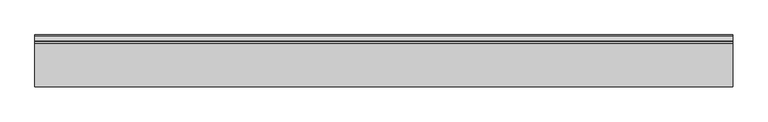
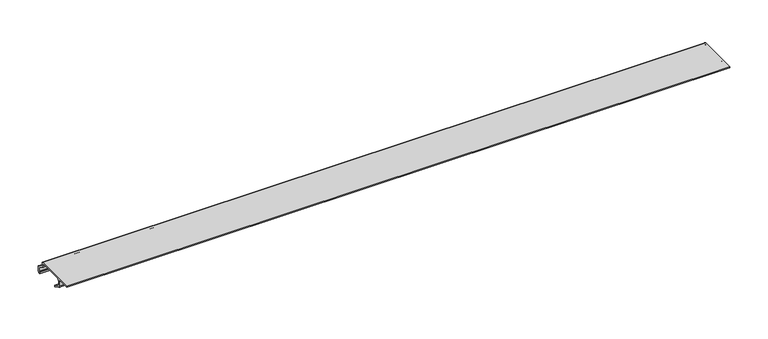
"""IFC4 building model written with IfcOpenShell, lengths in millimetres: proxy geometry."""

import ifcopenshell
import ifcopenshell.guid

model = None  # the IFC model being written
_history = None  # IfcOwnerHistory: only IFC2X3 demands one
_inside = {}  # id of a spatial element -> (the spatial element, [elements in it])
_under = {}  # id of a project, library or spatial element -> (it, [spatial elements below it])
_declared = {}  # id of a project -> (the project, [libraries it declares])
_typed = {}  # id of a type object -> (the type object, [elements of that type])
_made_of = {}  # id of a material, layer set ... -> (it, [elements and type objects made of it])


def new_model(schema):
    """Start an empty IFC model of exactly this schema.

    Asked for "IFC4X3", IfcOpenShell would pick the latest addendum, in which some entities
    have other attributes; the version numbers below select the first issue.
    IFC2X3 requires an IfcOwnerHistory on every rooted entity: one is made here for all.
    """
    global model, _history
    if schema == "IFC4X3":
        model = ifcopenshell.file(schema_version=(4, 3, 0, 0))
    else:
        model = ifcopenshell.file(schema=schema)
    _inside.clear()
    _under.clear()
    _declared.clear()
    _typed.clear()
    _made_of.clear()
    _history = None
    if model.schema == "IFC2X3":
        org = make("IfcOrganization", Name="unknown")
        user = make(
            "IfcPersonAndOrganization",
            ThePerson=make("IfcPerson", FamilyName="unknown"),
            TheOrganization=org,
        )
        app = make(
            "IfcApplication",
            ApplicationDeveloper=org,
            Version="unknown",
            ApplicationFullName="unknown",
            ApplicationIdentifier="unknown",
        )
        _history = make(
            "IfcOwnerHistory",
            OwningUser=user,
            OwningApplication=app,
            ChangeAction="ADDED",
            CreationDate=0,
        )
    return model


def make(cls, **values):
    """One entity of the class cls with the attributes given. An attribute that is None is left unset."""
    return model.create_entity(
        cls, **{name: value for name, value in values.items() if value is not None}
    )


def rooted(cls, **values):
    """An entity with a GlobalId (a new one), such as an element, a storey or a relation."""
    return make(cls, GlobalId=ifcopenshell.guid.new(), OwnerHistory=_history, **values)


def si_unit(unit_type, name, prefix=None):
    """IfcSIUnit, for example si_unit("LENGTHUNIT", "METRE", prefix="MILLI")."""
    return make("IfcSIUnit", UnitType=unit_type, Prefix=prefix, Name=name)


def assignment(units):
    """IfcUnitAssignment: the units of a project."""
    return None if units is None else make("IfcUnitAssignment", Units=units)


def point(xyz):
    """IfcCartesianPoint."""
    return None if xyz is None else make("IfcCartesianPoint", Coordinates=xyz)


def direction(xyz):
    """IfcDirection."""
    return None if xyz is None else make("IfcDirection", DirectionRatios=xyz)


def frame(location, z_axis=None, x_axis=None):
    """IfcAxis2Placement3D, a coordinate frame: its origin and axes. An axis left out is left unset."""
    return make(
        "IfcAxis2Placement3D",
        Location=point(location),
        Axis=direction(z_axis),
        RefDirection=direction(x_axis),
    )


def frame_2d(location, x_axis=None):
    """IfcAxis2Placement2D, a coordinate frame in the plane: its origin and x axis."""
    return make(
        "IfcAxis2Placement2D", Location=point(location), RefDirection=direction(x_axis)
    )


def origin():
    """The frame at (0, 0, 0) with its axes left unset."""
    return frame((0.0, 0.0, 0.0))


def place(relative_to, where):
    """IfcLocalPlacement: puts the frame where relative to a parent placement (None: the world)."""
    return make(
        "IfcLocalPlacement", PlacementRelTo=relative_to, RelativePlacement=where
    )


def context(
    kind, dimensions, precision=None, world=None, true_north=None, identifier=None
):
    """IfcGeometricRepresentationContext, for example the 3D "Model" context."""
    return make(
        "IfcGeometricRepresentationContext",
        ContextIdentifier=identifier,
        ContextType=kind,
        CoordinateSpaceDimension=dimensions,
        Precision=precision,
        WorldCoordinateSystem=world,
        TrueNorth=true_north,
    )


def project(units=None, contexts=None):
    """IfcProject with its units and contexts."""
    return rooted(
        "IfcProject",
        Name="project",
        RepresentationContexts=contexts,
        UnitsInContext=assignment(units),
    )


def spatial(cls, under=None, at=None, **own):
    """A site, building, storey or space (cls), placed at a placement, below another one or the project."""
    s = rooted(cls, ObjectPlacement=at, **own)
    if under is not None:
        _under.setdefault(under.id(), (under, []))[1].append(s)
    return s


def polyline(points):
    """IfcPolyline through the points."""
    return make("IfcPolyline", Points=[point(p) for p in points])


def circle_curve(where, radius):
    """IfcCircle in the frame where."""
    return make("IfcCircle", Position=where, Radius=radius)


def trimmed(basis, trim1, trim2, sense, master):
    """IfcTrimmedCurve: the piece of a basis curve between two trims."""
    return make(
        "IfcTrimmedCurve",
        BasisCurve=basis,
        Trim1=trim1,
        Trim2=trim2,
        SenseAgreement=sense,
        MasterRepresentation=master,
    )


def segment(curve, same_sense, transition):
    """IfcCompositeCurveSegment."""
    return make(
        "IfcCompositeCurveSegment",
        Transition=transition,
        SameSense=same_sense,
        ParentCurve=curve,
    )


def composite_curve(segments, self_intersect=None):
    """IfcCompositeCurve: segments joined end to end."""
    return make("IfcCompositeCurve", Segments=segments, SelfIntersect=self_intersect)


def outline(outer, holes=None, kind="AREA"):
    """IfcArbitraryClosedProfileDef: a profile drawn as a closed curve; with holes, ...WithVoids."""
    if holes is None:
        return make("IfcArbitraryClosedProfileDef", ProfileType=kind, OuterCurve=outer)
    return make(
        "IfcArbitraryProfileDefWithVoids",
        ProfileType=kind,
        OuterCurve=outer,
        InnerCurves=holes,
    )


def extrude(swept, where, along, depth):
    """IfcExtrudedAreaSolid: the profile swept, set in the frame where, extruded along a direction by depth."""
    return make(
        "IfcExtrudedAreaSolid",
        SweptArea=swept,
        Position=where,
        ExtrudedDirection=direction(along),
        Depth=depth,
    )


def shape(context_of_items, identifier, shape_type, items):
    """IfcShapeRepresentation: the items that make up one representation, for example the "Body"."""
    return make(
        "IfcShapeRepresentation",
        ContextOfItems=context_of_items,
        RepresentationIdentifier=identifier,
        RepresentationType=shape_type,
        Items=items,
    )


def source(mapping_origin, context_of_items, identifier, shape_type, items):
    """IfcRepresentationMap: a shape defined once, which mapped items show again and again."""
    return make(
        "IfcRepresentationMap",
        MappingOrigin=mapping_origin,
        MappedRepresentation=shape(context_of_items, identifier, shape_type, items),
    )


def transform(
    local_origin,
    x_axis=None,
    y_axis=None,
    z_axis=None,
    scale=None,
    scale2=None,
    scale3=None,
    uniform=True,
):
    """IfcCartesianTransformationOperator3D, or its non-uniform kind. x_axis, y_axis, z_axis: its Axis1, 2, 3."""
    if uniform:
        return make(
            "IfcCartesianTransformationOperator3D",
            Axis1=direction(x_axis),
            Axis2=direction(y_axis),
            LocalOrigin=point(local_origin),
            Scale=scale,
            Axis3=direction(z_axis),
        )
    return make(
        "IfcCartesianTransformationOperator3DnonUniform",
        Axis1=direction(x_axis),
        Axis2=direction(y_axis),
        LocalOrigin=point(local_origin),
        Scale=scale,
        Axis3=direction(z_axis),
        Scale2=scale2,
        Scale3=scale3,
    )


def mapped(mapping_source, mapping_target):
    """IfcMappedItem: shows the shape of a source again, moved by a transform."""
    return make(
        "IfcMappedItem", MappingSource=mapping_source, MappingTarget=mapping_target
    )


def made_of(thing, what):
    """Note that an element or type object is made of a material, layer set ...; save() writes the relation."""
    if what is not None:
        _made_of.setdefault(what.id(), (what, []))[1].append(thing)
    return thing


def element(
    cls,
    number,
    at=None,
    inside=None,
    cuts=None,
    type_object=None,
    material=None,
    context=None,
    identifier="Body",
    shape_type=None,
    held_by="IfcProductDefinitionShape",
    body=None,
    shapes=None,
    **own,
):
    """One element of the class cls, such as IfcWall. Its Tag is "e" and its number.

    at: its placement. inside: the storey or other place that contains it. cuts: it is an
    opening in that element (IfcRelVoidsElement). A single representation is given by context,
    identifier, shape_type and body (its items); several are given by shapes. held_by: the class
    of the entity that holds the representations. save() writes the other relations.
    """
    e = rooted(cls, Tag="e%d" % number, ObjectPlacement=at, **own)
    if body is not None:
        shapes = [shape(context, identifier, shape_type, body)]
    if shapes is not None:
        e.Representation = make(held_by, Representations=shapes)
    if inside is not None:
        _inside.setdefault(inside.id(), (inside, []))[1].append(e)
    if cuts is not None:
        rooted(
            "IfcRelVoidsElement", RelatingBuildingElement=cuts, RelatedOpeningElement=e
        )
    if type_object is not None:
        _typed.setdefault(type_object.id(), (type_object, []))[1].append(e)
    return made_of(e, material)


def aggregate(whole, parts):
    """IfcRelAggregates: a whole, such as a stair, and the parts it consists of."""
    return rooted("IfcRelAggregates", RelatingObject=whole, RelatedObjects=parts)


def save(model, path):
    """Write the relations noted so far, then the file.

    IfcRelAggregates (storeys below a building ...), IfcRelContainedInSpatialStructure (elements
    in a storey), IfcRelDefinesByType, IfcRelAssociatesMaterial and IfcRelDeclares: one each for
    every whole, place, type object, material and project.
    """
    for whole, parts in _under.values():
        aggregate(whole, parts)
    for where, things in _inside.values():
        rooted(
            "IfcRelContainedInSpatialStructure",
            RelatedElements=things,
            RelatingStructure=where,
        )
    for kind, things in _typed.values():
        rooted("IfcRelDefinesByType", RelatedObjects=things, RelatingType=kind)
    for what, things in _made_of.values():
        rooted("IfcRelAssociatesMaterial", RelatedObjects=things, RelatingMaterial=what)
    for by, libraries in _declared.values():
        rooted("IfcRelDeclares", RelatingContext=by, RelatedDefinitions=libraries)
    model.write(path)


def generic_models_2370fba8(model_context):
    return source(origin(), model_context, "Body", "SweptSolid", [
        extrude(outline(composite_curve([segment(trimmed(circle_curve(frame_2d((-33.4636484, 22.9399889)), 1.8496399), [point((-33.4636484, 24.7896287))], [point((-31.6140086, 22.9399889))], False, "CARTESIAN"), True, "CONTINUOUS"), segment(polyline([(-31.6140086, 22.9399889), (-31.6140086, 18.8352017)]), True, "CONTINUOUS"), segment(trimmed(circle_curve(frame_2d((-29.9077885, 18.8352017)), 1.70622), [point((-31.6140086, 18.8352017))], [point((-30.6823962, 17.3149486))], True, "CARTESIAN"), True, "CONTINUOUS"), segment(polyline([(-30.6823962, 17.3149486), (-23.4329349, 13.6211635)]), True, "CONTINUOUS"), segment(trimmed(circle_curve(frame_2d((-24.9453175, 10.6529455)), 3.331309), [point((-23.4329349, 13.6211635))], [point((-21.6140086, 10.6529455))], False, "CARTESIAN"), True, "CONTINUOUS"), segment(polyline([(-21.6140086, 10.6529455), (-21.6140086, 4.6116865)]), True, "CONTINUOUS"), segment(trimmed(circle_curve(frame_2d((-24.1235663, 4.6116865)), 2.5095577), [point((-21.6140086, 4.6116865))], [point((-24.1235663, 2.1021287))], False, "CARTESIAN"), True, "CONTINUOUS"), segment(polyline([(-24.1235663, 2.1021287), (-25.6140086, 2.1021287), (-25.6140086, 4.1021287), (-24.3354377, 4.1021287)]), True, "CONTINUOUS"), segment(trimmed(circle_curve(frame_2d((-24.3354377, 4.8235579)), 0.7214291), [point((-24.3354377, 4.1021287))], [point((-23.6140086, 4.8235579))], True, "CARTESIAN"), True, "CONTINUOUS"), segment(polyline([(-23.6140086, 4.8235579), (-23.6140086, 10.0146763)]), True, "CONTINUOUS"), segment(trimmed(circle_curve(frame_2d((-25.9868782, 10.0146763)), 2.3728696), [point((-23.6140086, 10.0146763))], [point((-24.9096179, 12.1289186))], True, "CARTESIAN"), True, "CONTINUOUS"), segment(polyline([(-24.9096179, 12.1289186), (-32.038587, 15.7613098)]), True, "CONTINUOUS"), segment(trimmed(circle_curve(frame_2d((-30.7286713, 18.3321641)), 2.8853373), [point((-32.038587, 15.7613098))], [point((-33.6140086, 18.3321641))], False, "CARTESIAN"), True, "CONTINUOUS"), segment(polyline([(-33.6140086, 18.3321641), (-33.6140086, 20.6613256)]), True, "CONTINUOUS"), segment(trimmed(circle_curve(frame_2d((-35.7423117, 20.6613256)), 2.1283032), [point((-33.6140086, 20.6613256))], [point((-35.7423117, 22.7896287))], True, "CARTESIAN"), True, "CONTINUOUS"), segment(polyline([(-35.7423117, 22.7896287), (-71.9641405, 22.7896287)]), True, "CONTINUOUS"), segment(trimmed(circle_curve(frame_2d((-71.9641405, 20.1397607)), 2.6498681), [point((-71.9641405, 22.7896287))], [point((-74.6140086, 20.1397607))], True, "CARTESIAN"), True, "CONTINUOUS"), segment(polyline([(-74.6140086, 20.1397607), (-74.6140086, 13.7133542)]), True, "CONTINUOUS"), segment(trimmed(circle_curve(frame_2d((-71.8429222, 13.7133542)), 2.7710864), [point((-74.6140086, 13.7133542))], [point((-73.1009691, 11.2442982))], True, "CARTESIAN"), True, "CONTINUOUS"), segment(polyline([(-73.1009691, 11.2442982), (-65.1024413, 7.1688447), (-65.1024413, 4.9241923), (-74.89226, 9.912354)]), True, "CONTINUOUS"), segment(trimmed(circle_curve(frame_2d((-73.4606778, 12.7219923)), 3.1533308), [point((-74.89226, 9.912354))], [point((-76.6140086, 12.7219923))], False, "CARTESIAN"), True, "CONTINUOUS"), segment(polyline([(-76.6140086, 12.7219923), (-76.6140086, 20.3530431)]), True, "CONTINUOUS"), segment(trimmed(circle_curve(frame_2d((-79.0505942, 20.3530431)), 2.4365856), [point((-76.6140086, 20.3530431))], [point((-79.0505942, 22.7896287))], True, "CARTESIAN"), True, "CONTINUOUS"), segment(polyline([(-79.0505942, 22.7896287), (-96.1140086, 22.7896287), (-96.1140086, 24.7896287), (-33.4636484, 24.7896287)]), True, "CONTINUOUS")], self_intersect=False)), frame((0.0, 0.0, 0.0), z_axis=(1.0, 0.0, 0.0), x_axis=(0.0, 1.0, 0.0)), (0.0, 0.0, 1.0), 1000.0),
    ])


if __name__ == "__main__":
    model = new_model("IFC4")
    model_context = context("Model", 3, world=origin())
    ifc_project = project(units=[si_unit("LENGTHUNIT", "METRE", prefix="MILLI")], contexts=[model_context])
    site = spatial("IfcSite", under=ifc_project)
    building = spatial("IfcBuilding", under=site)
    placement = place(None, origin())
    generic_models_shape = generic_models_2370fba8(model_context)
    element("IfcBuildingElementProxy", 1, Name="Generic Models", at=placement, inside=building, context=model_context, shape_type="MappedRepresentation", body=[
        mapped(generic_models_shape, transform((0.0, 0.0, 0.0), x_axis=(1.0, 0.0, 0.0), y_axis=(0.0, 1.0, 0.0), z_axis=(0.0, 0.0, 1.0))),
    ])
    save(model, "model.ifc")
